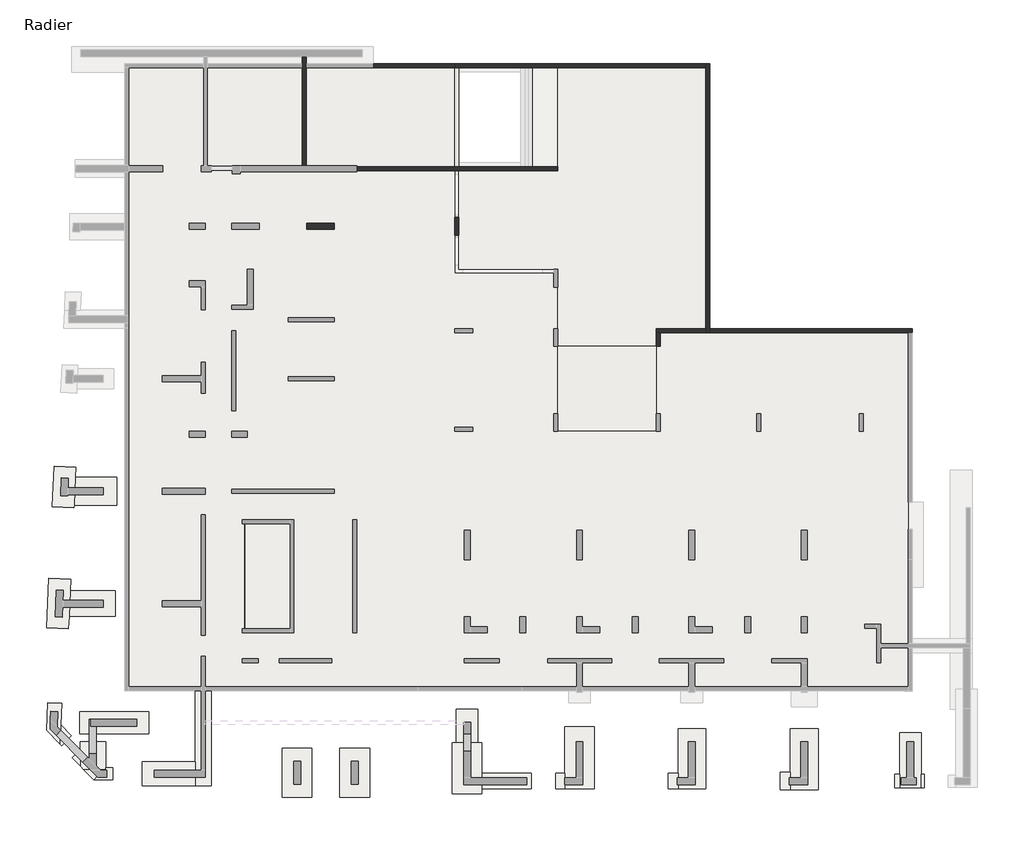
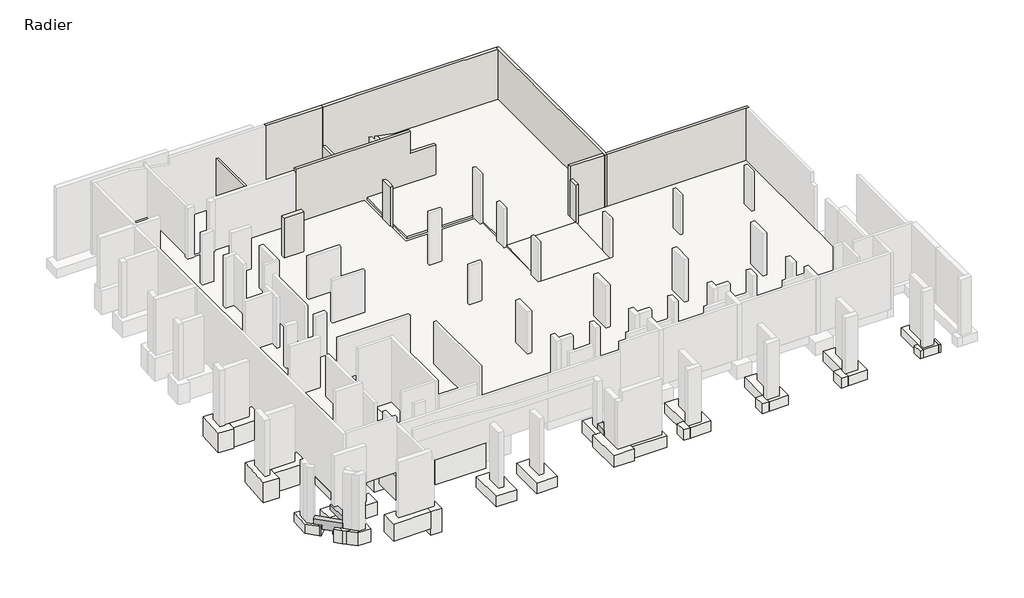
# One storey, part 3 of 4: 36 footings, 11 walls, 8 beams, 7 slabs.
"""IFC4 building model written with IfcOpenShell, lengths in millimetres."""

from ifc_helpers import new_model, si_unit, frame, origin, place, context, project, spatial, polyline, outline, extrude, faceted_brep, element, save

model = new_model("IFC4")

# Units and contexts
model_context = context("Model", 3, world=origin())
ifc_project = project(units=[si_unit("LENGTHUNIT", "METRE", prefix="MILLI")], contexts=[model_context])

# Site, building, storey
site = spatial("IfcSite", under=ifc_project)
building = spatial("IfcBuilding", under=site)
storey = spatial("IfcBuildingStorey", under=building, Name="Radier", Elevation=-3900.0)

# Beams
placement = place(None, origin())
element("IfcBeam", 1, ObjectType="VF. 20/190", at=placement, inside=storey, context=model_context, shape_type="Brep", body=[
    faceted_brep([(-34745.6912908, -6244.0672499, -4050.0), (-34745.6912908, -11559.0672499, -4050.0), (-34745.6912908, -11559.0672499, -5600.0), (-34745.6912908, -11559.0672499, -5750.0), (-34745.6912908, -11559.0672499, -5800.0), (-34745.6912908, -6244.0672499, -5800.0), (-34745.6912908, -6244.0672499, -5750.0), (-34745.6912908, -6244.0672499, -5600.0), (-34945.6912908, -11759.0672499, -5800.0), (-34945.6912908, -6044.0672499, -5800.0), (-34865.6912908, -6044.0672499, -5800.0), (-34865.6912908, -6244.0672499, -5800.0), (-34865.6912908, -11559.0672499, -5800.0), (-34865.6912908, -11759.0672499, -5800.0), (-34945.6912908, -11759.0672499, -4050.0), (-34945.6912908, -6044.0672499, -4050.0), (-34865.6912908, -11759.0672499, -4050.0), (-34865.6912908, -11559.0672499, -4050.0), (-34865.6912908, -6244.0672499, -4050.0), (-34865.6912908, -6044.0672499, -4050.0)], [[[0, 1, 2, 3, 4, 5, 6, 7]], [[8, 9, 10, 11, 5, 4, 12, 13]], [[14, 15, 9, 8]], [[15, 14, 16, 17, 1, 0, 18, 19]], [[9, 15, 19, 10]], [[14, 8, 13, 16]], [[11, 18, 0, 7, 6, 5]], [[18, 11, 10, 19]], [[17, 12, 4, 3, 2, 1]], [[12, 17, 16, 13]]]),
])
element("IfcBeam", 2, ObjectType="VF. 20/40", at=placement, inside=storey, context=model_context, shape_type="SweptSolid", body=[
    extrude(outline(polyline([(-36935.6912908, -11889.0672499), (-36735.6912908, -11889.0672499), (-36735.6912908, -12949.0672499), (-36935.6912908, -12949.0672499), (-36935.6912908, -11889.0672499)])), frame((0.0, 0.0, -4300.0), z_axis=(0.0, 0.0, 1.0), x_axis=(1.0, 0.0, 0.0)), (0.0, 0.0, 1.0), 250.0),
])
element("IfcBeam", 3, ObjectType="VF. 20/40", at=placement, inside=storey, context=model_context, shape_type="SweptSolid", body=[
    extrude(outline(polyline([(-32995.6912908, -13079.0672499), (-32995.6912908, -13279.0672499), (-34055.6912908, -13279.0672499), (-34055.6912908, -13079.0672499), (-32995.6912908, -13079.0672499)])), frame((0.0, 0.0, -4300.0), z_axis=(0.0, 0.0, 1.0), x_axis=(1.0, 0.0, 0.0)), (0.0, 0.0, 1.0), 250.0),
])
element("IfcBeam", 4, ObjectType="VF. 20/40", at=placement, inside=storey, context=model_context, shape_type="SweptSolid", body=[
    extrude(outline(polyline([(-35405.6912908, -4489.0672499), (-35405.6912908, -4689.0672499), (-36735.6912908, -4689.0672499), (-36735.6912908, -4489.0672499), (-35405.6912908, -4489.0672499)])), frame((0.0, 0.0, -4300.0), z_axis=(0.0, 0.0, 1.0), x_axis=(1.0, 0.0, 0.0)), (0.0, 0.0, 1.0), 250.0),
])
element("IfcBeam", 5, ObjectType="VF. 30/40", at=placement, inside=storey, context=model_context, shape_type="SweptSolid", body=[
    extrude(outline(polyline([(-35405.6912908, -1544.0672499), (-35405.6912908, -1844.0672499), (-36735.6912908, -1844.0672499), (-36735.6912908, -1544.0672499), (-35405.6912908, -1544.0672499)])), frame((0.0, 0.0, -4300.0), z_axis=(0.0, 0.0, 1.0), x_axis=(1.0, 0.0, 0.0)), (0.0, 0.0, 1.0), 250.0),
])
element("IfcBeam", 6, ObjectType="VF. 35/40", at=placement, inside=storey, context=model_context, shape_type="SweptSolid", body=[
    extrude(outline(polyline([(-42250.6912908, -17889.0672499), (-42600.6912908, -17889.0672499), (-42600.6912908, -16144.0672499), (-42525.6912908, -16144.0672499), (-42525.6912908, -16494.0672499), (-42250.6912908, -16494.0672499), (-42250.6912908, -17889.0672499)])), frame((0.0, 0.0, -4300.0), z_axis=(0.0, 0.0, 1.0), x_axis=(1.0, 0.0, 0.0)), (0.0, 0.0, 1.0), 400.0),
])
element("IfcBeam", 7, ObjectType="VF. 35/40", at=placement, inside=storey, context=model_context, shape_type="SweptSolid", body=[
    extrude(outline(polyline([(-23650.6912908, -16879.0672499), (-23300.6912908, -16879.0672499), (-23300.6912908, -17759.0672499), (-23650.6912908, -17759.0672499), (-23650.6912908, -16879.0672499)])), frame((0.0, 0.0, -4300.0), z_axis=(0.0, 0.0, 1.0), x_axis=(1.0, 0.0, 0.0)), (0.0, 0.0, 1.0), 400.0),
])
element("IfcBeam", 8, ObjectType="VF. 35/70", at=placement, inside=storey, context=model_context, shape_type="Brep", body=[
    faceted_brep([(-42683.933067, -18072.0990181, -3900.0), (-42932.9248767, -18318.0727539, -3900.0), (-42932.9248767, -18318.0727539, -4300.0), (-42683.933067, -18072.0990181, -4300.0), (-44296.322155, -16937.9467228, -3900.0), (-44047.3303452, -16691.972987, -3900.0), (-44047.3303452, -16691.972987, -4300.0), (-44296.322155, -16937.9467228, -4300.0), (-43888.1193718, -17351.1581147, -4300.0), (-43888.1193718, -17351.1581147, -4600.0), (-43312.5552464, -17933.7843563, -4600.0), (-43312.5552464, -17933.7843563, -4300.0), (-43075.6912908, -17675.5339587, -4600.0), (-43075.6912908, -17699.7914708, -4600.0), (-43639.127562, -17105.1843789, -4600.0), (-43075.6912908, -17675.5339587, -4300.0), (-43639.127562, -17105.1843789, -4300.0), (-43075.6912908, -17699.7914708, -4300.0)], [[[0, 1, 2, 3]], [[4, 5, 6, 7]], [[1, 4, 7, 8, 9, 10, 11, 2]], [[12, 13, 10, 9, 14]], [[5, 0, 3, 15, 12, 14, 16, 6]], [[1, 0, 5, 4]], [[3, 2, 11, 17, 15]], [[12, 15, 17, 13]], [[16, 8, 7, 6]], [[17, 11, 10, 13]], [[8, 16, 14, 9]]]),
])

# Footings
element("IfcFooting", 9, at=placement, inside=storey, context=model_context, shape_type="Brep", body=[
    faceted_brep([(-33870.6912908, -2444.0672499, -4300.0), (-33870.6912908, -2444.0672499, -6200.0), (-33870.6912908, -944.0672499, -6200.0), (-33870.6912908, -944.0672499, -4300.0), (-38270.6912908, -2444.0672499, -6200.0), (-38270.6912908, -2444.0672499, -4300.0), (-38270.6912908, -944.0672499, -4300.0), (-38270.6912908, -944.0672499, -6200.0), (-34605.6912908, -944.0672499, -4300.0), (-34605.6912908, -994.0672499, -4300.0), (-36005.6912908, -994.0672499, -4300.0), (-36005.6912908, -944.0672499, -4300.0), (-36005.6912908, -944.0672499, -5700.0), (-34605.6912908, -944.0672499, -5700.0), (-36005.6912908, -994.0672499, -5700.0), (-34605.6912908, -994.0672499, -5700.0)], [[[0, 1, 2, 3]], [[4, 5, 6, 7]], [[5, 0, 3, 8, 9, 10, 11, 6]], [[1, 0, 5, 4]], [[2, 1, 4, 7]], [[3, 2, 7, 6, 11, 12, 13, 8]], [[14, 10, 9, 15]], [[10, 14, 12, 11]], [[14, 15, 13, 12]], [[15, 9, 8, 13]]]),
])
element("IfcFooting", 10, at=placement, inside=storey, context=model_context, shape_type="SweptSolid", body=[
    extrude(outline(polyline([(-43381.4763941, -5289.0672499), (-43317.9655169, -3889.0672499), (-41225.3123193, -3889.0672499), (-41225.3123193, -5289.0672499), (-43381.4763941, -5289.0672499)])), frame((0.0, 0.0, -5800.0), z_axis=(0.0, 0.0, 1.0), x_axis=(1.0, 0.0, 0.0)), (0.0, 0.0, 1.0), 1500.0),
])
element("IfcFooting", 11, at=placement, inside=storey, context=model_context, shape_type="Brep", body=[
    faceted_brep([(-36735.6912908, -3739.0672499, -4300.0), (-36735.6912908, -5439.0672499, -4300.0), (-36735.6912908, -5439.0672499, -6300.0), (-36735.6912908, -3739.0672499, -6300.0), (-39855.6912908, -5439.0672499, -4300.0), (-39855.6912908, -3739.0672499, -4300.0), (-39855.6912908, -3739.0672499, -6300.0), (-39855.6912908, -5439.0672499, -6300.0), (-37585.6912908, -5439.0672499, -4300.0), (-37585.6912908, -5439.0672499, -6300.0), (-37585.6912908, -3739.0672499, -6300.0)], [[[0, 1, 2, 3]], [[4, 5, 6, 7]], [[0, 5, 4, 8, 1]], [[2, 1, 8, 4, 7, 9]], [[3, 2, 9, 7, 6, 10]], [[0, 3, 10, 6, 5]]]),
])
element("IfcFooting", 12, at=placement, inside=storey, context=model_context, shape_type="Brep", body=[
    faceted_brep([(-37585.6912908, -3739.0672499, -6800.0), (-37585.6912908, -5439.0672499, -6800.0), (-37585.6912908, -5439.0672499, -6600.0), (-37585.6912908, -5439.0672499, -6300.0), (-37585.6912908, -3739.0672499, -6300.0), (-30065.6912908, -3739.0672499, -6800.0), (-30065.6912908, -3739.0672499, -6300.0), (-30065.6912908, -3739.0672499, -4300.0), (-30065.6912908, -5439.0672499, -4300.0), (-30065.6912908, -5439.0672499, -6800.0), (-36735.6912908, -3739.0672499, -4300.0), (-36735.6912908, -4489.0672499, -4300.0), (-36735.6912908, -4689.0672499, -4300.0), (-36735.6912908, -5439.0672499, -4300.0), (-36085.6912908, -5439.0672499, -4300.0), (-36735.6912908, -3739.0672499, -6300.0), (-36735.6912908, -5439.0672499, -6300.0)], [[[0, 1, 2, 3, 4]], [[5, 6, 7, 8, 9]], [[8, 7, 10, 11, 12, 13, 14]], [[7, 6, 5, 0, 4, 15, 10]], [[1, 0, 5, 9]], [[9, 8, 14, 13, 16, 3, 2, 1]], [[15, 16, 13, 12, 11, 10]], [[16, 15, 4, 3]]]),
])
element("IfcFooting", 13, at=placement, inside=storey, context=model_context, shape_type="Brep", body=[
    faceted_brep([(-36085.6912908, -12999.0672499, -4300.0), (-36435.6912908, -12999.0672499, -4300.0), (-37235.6912908, -12999.0672499, -4300.0), (-37585.6912908, -12999.0672499, -4300.0), (-37585.6912908, -12999.0672499, -6600.0), (-36085.6912908, -12999.0672499, -6600.0), (-37585.6912908, -5439.0672499, -4300.0), (-36735.6912908, -5439.0672499, -4300.0), (-36085.6912908, -5439.0672499, -4300.0), (-36085.6912908, -5439.0672499, -6600.0), (-37585.6912908, -5439.0672499, -6600.0), (-37585.6912908, -5439.0672499, -6300.0), (-37585.6912908, -9529.0672499, -4300.0), (-37585.6912908, -11029.0672499, -4300.0)], [[[0, 1, 2, 3, 4, 5]], [[6, 7, 8, 9, 10, 11]], [[0, 8, 7, 6, 12, 13, 3, 2, 1]], [[4, 3, 13, 12, 6, 11, 10]], [[5, 4, 10, 9]], [[0, 5, 9, 8]]]),
])
element("IfcFooting", 14, at=placement, inside=storey, context=model_context, shape_type="SweptSolid", body=[
    extrude(outline(polyline([(-39555.6912908, -11029.0672499), (-39555.6912908, -9529.0672499), (-37585.6912908, -9529.0672499), (-37585.6912908, -11029.0672499), (-39555.6912908, -11029.0672499)])), frame((0.0, 0.0, -6100.0), z_axis=(0.0, 0.0, 1.0), x_axis=(1.0, 0.0, 0.0)), (0.0, 0.0, 1.0), 1800.0),
])
element("IfcFooting", 15, at=placement, inside=storey, context=model_context, shape_type="SweptSolid", body=[
    extrude(outline(polyline([(-43637.3344995, -10929.0672499), (-43578.3601135, -9629.0672499), (-41283.4386703, -9629.0672499), (-41283.4386703, -10929.0672499), (-43637.3344995, -10929.0672499)])), frame((0.0, 0.0, -5800.0), z_axis=(0.0, 0.0, 1.0), x_axis=(1.0, 0.0, 0.0)), (0.0, 0.0, 1.0), 1500.0),
])
element("IfcFooting", 16, at=placement, inside=storey, context=model_context, shape_type="Brep", body=[
    faceted_brep([(-30065.6912908, -12379.0672499, -4300.0), (-30065.6912908, -13979.0672499, -4300.0), (-30065.6912908, -13979.0672499, -6300.0), (-30065.6912908, -13979.0672499, -6800.0), (-30065.6912908, -12379.0672499, -6800.0), (-33715.6912908, -13979.0672499, -4300.0), (-33715.6912908, -13629.0672499, -4300.0), (-33715.6912908, -12729.0672499, -4300.0), (-33715.6912908, -12379.0672499, -4300.0), (-33715.6912908, -12379.0672499, -6800.0), (-33715.6912908, -12729.0672499, -6800.0), (-33715.6912908, -13629.0672499, -6800.0), (-33715.6912908, -13979.0672499, -6800.0)], [[[0, 1, 2, 3, 4]], [[5, 6, 7, 8, 9, 10, 11, 12]], [[0, 8, 7, 6, 5, 1]], [[3, 2, 1, 5, 12]], [[4, 3, 12, 11, 10, 9]], [[0, 4, 9, 8]]]),
])
element("IfcFooting", 17, at=placement, inside=storey, context=model_context, shape_type="SweptSolid", body=[
    extrude(outline(polyline([(-35215.6912908, -13629.0672499), (-35215.6912908, -12729.0672499), (-33715.6912908, -12729.0672499), (-33715.6912908, -13629.0672499), (-35215.6912908, -13629.0672499)])), frame((0.0, 0.0, -6800.0), z_axis=(0.0, 0.0, 1.0), x_axis=(1.0, 0.0, 0.0)), (0.0, 0.0, 1.0), 2500.0),
])
element("IfcFooting", 18, at=placement, inside=storey, context=model_context, shape_type="Brep", body=[
    faceted_brep([(-35245.6912908, -6794.0672499, -5800.0), (-35245.6912908, -5494.0672499, -5800.0), (-35245.6912908, -5494.0672499, -6800.0), (-35245.6912908, -6794.0672499, -6800.0), (-32345.6912908, -5494.0672499, -5800.0), (-32345.6912908, -6794.0672499, -5800.0), (-32345.6912908, -6794.0672499, -6800.0), (-32345.6912908, -5494.0672499, -6800.0), (-33045.6912908, -6794.0672499, -5800.0), (-33045.6912908, -6794.0672499, -6800.0)], [[[0, 1, 2, 3]], [[4, 5, 6, 7]], [[0, 8, 5, 4, 1]], [[2, 1, 4, 7]], [[3, 2, 7, 6, 9]], [[0, 3, 9, 6, 5, 8]]]),
])
element("IfcFooting", 19, at=placement, inside=storey, context=model_context, shape_type="Brep", body=[
    faceted_brep([(-31645.6912908, -5494.0672499, -5800.0), (-31645.6912908, -5494.0672499, -6800.0), (-32345.6912908, -5494.0672499, -6800.0), (-32345.6912908, -5494.0672499, -5800.0), (-31645.6912908, -12059.0672499, -5800.0), (-32345.6912908, -6794.0672499, -5800.0), (-33045.6912908, -6794.0672499, -5800.0), (-33045.6912908, -11259.0672499, -5800.0), (-33045.6912908, -12059.0672499, -5800.0), (-33045.6912908, -12059.0672499, -6800.0), (-33045.6912908, -6794.0672499, -6800.0), (-33045.6912908, -11259.0672499, -6800.0), (-31645.6912908, -12059.0672499, -6800.0), (-32345.6912908, -6794.0672499, -6800.0)], [[[0, 1, 2, 3]], [[4, 0, 3, 5, 6, 7, 8]], [[9, 8, 7, 6, 10, 11]], [[1, 12, 9, 11, 10, 13, 2]], [[1, 0, 4, 12]], [[13, 5, 3, 2]], [[5, 13, 10, 6]], [[4, 8, 9, 12]]]),
])
element("IfcFooting", 20, at=placement, inside=storey, context=model_context, shape_type="SweptSolid", body=[
    extrude(outline(polyline([(-35245.6912908, -12059.0672499), (-35245.6912908, -11259.0672499), (-33045.6912908, -11259.0672499), (-33045.6912908, -12059.0672499), (-35245.6912908, -12059.0672499)])), frame((0.0, 0.0, -6800.0), z_axis=(0.0, 0.0, 1.0), x_axis=(1.0, 0.0, 0.0)), (0.0, 0.0, 1.0), 1000.0),
])
element("IfcFooting", 21, at=placement, inside=storey, context=model_context, shape_type="Brep", body=[
    faceted_brep([(-41775.6912908, -18690.656629, -5300.0), (-41775.6912908, -18690.656629, -4300.0), (-41928.2567405, -18690.656629, -4300.0), (-42881.1326203, -18690.656629, -4300.0), (-42881.1326203, -18690.656629, -5300.0), (-41928.2567405, -18690.656629, -5300.0), (-43075.6912908, -17289.0672499, -5300.0), (-43075.6912908, -17289.0672499, -4300.0), (-41775.6912908, -17289.0672499, -4300.0), (-41775.6912908, -17289.0672499, -5300.0), (-41775.6912908, -18599.0672499, -4300.0), (-43075.6912908, -17675.5339587, -4300.0), (-43075.6912908, -17699.7914708, -4300.0), (-43075.6912908, -18493.7107424, -4300.0), (-43075.6912908, -17699.7914708, -5300.0), (-43075.6912908, -18493.7107424, -5300.0), (-41775.6912908, -18599.0672499, -5300.0)], [[[0, 1, 2, 3, 4, 5]], [[6, 7, 8, 9]], [[1, 10, 8, 7, 11, 12, 13, 3, 2]], [[7, 6, 14, 15, 13, 12, 11]], [[6, 9, 16, 0, 5, 4, 15, 14]], [[1, 0, 16, 9, 8, 10]], [[4, 3, 13, 15]]]),
])
element("IfcFooting", 22, at=placement, inside=storey, context=model_context, shape_type="Brep", body=[
    faceted_brep([(-37235.6912908, -19499.0672499, -4300.0), (-36435.6912908, -19499.0672499, -4300.0), (-36435.6912908, -12999.0672499, -4300.0), (-37235.6912908, -12999.0672499, -4300.0), (-37235.6912908, -18299.0672499, -4300.0), (-37235.6912908, -19499.0672499, -6100.0), (-37235.6912908, -19499.0672499, -5600.0), (-37235.6912908, -12999.0672499, -6100.0), (-36435.6912908, -19499.0672499, -6100.0), (-36435.6912908, -12999.0672499, -6100.0)], [[[0, 1, 2, 3, 4]], [[5, 6, 0, 4, 3, 7]], [[8, 5, 7, 9]], [[1, 8, 9, 2]], [[1, 0, 6, 5, 8]], [[3, 2, 9, 7]]]),
])
element("IfcFooting", 23, at=placement, inside=storey, context=model_context, shape_type="SweptSolid", body=[
    extrude(outline(polyline([(-31335.6912908, -20094.0672499), (-32835.6912908, -20094.0672499), (-32835.6912908, -17594.0672499), (-31335.6912908, -17594.0672499), (-31335.6912908, -20094.0672499)])), frame((0.0, 0.0, -5100.0), z_axis=(0.0, 0.0, 1.0), x_axis=(1.0, 0.0, 0.0)), (0.0, 0.0, 1.0), 800.0),
])
element("IfcFooting", 24, at=placement, inside=storey, context=model_context, shape_type="SweptSolid", body=[
    extrude(outline(polyline([(-28415.6912908, -20094.0672499), (-29915.6912908, -20094.0672499), (-29915.6912908, -17594.0672499), (-28415.6912908, -17594.0672499), (-28415.6912908, -20094.0672499)])), frame((0.0, 0.0, -5100.0), z_axis=(0.0, 0.0, 1.0), x_axis=(1.0, 0.0, 0.0)), (0.0, 0.0, 1.0), 800.0),
])
element("IfcFooting", 25, at=placement, inside=storey, context=model_context, shape_type="Brep", body=[
    faceted_brep([(-22725.6912908, -19919.0672499, -4300.0), (-24225.6912908, -19919.0672499, -4300.0), (-24225.6912908, -19919.0672499, -5200.0), (-22725.6912908, -19919.0672499, -5200.0), (-24225.6912908, -17319.0672499, -4300.0), (-24025.6912908, -17319.0672499, -4300.0), (-22925.6912908, -17319.0672499, -4300.0), (-22725.6912908, -17319.0672499, -4300.0), (-22725.6912908, -17319.0672499, -5200.0), (-22925.6912908, -17319.0672499, -5200.0), (-24025.6912908, -17319.0672499, -5200.0), (-24225.6912908, -17319.0672499, -5200.0), (-22725.6912908, -19669.0672499, -4300.0), (-22725.6912908, -18869.0672499, -4300.0), (-22725.6912908, -18869.0672499, -5200.0), (-22725.6912908, -19669.0672499, -5200.0)], [[[0, 1, 2, 3]], [[4, 5, 6, 7, 8, 9, 10, 11]], [[0, 12, 13, 7, 6, 5, 4, 1]], [[2, 1, 4, 11]], [[3, 2, 11, 10, 9, 8, 14, 15]], [[0, 3, 15, 14, 8, 7, 13, 12]]]),
])
element("IfcFooting", 26, at=placement, inside=storey, context=model_context, shape_type="SweptSolid", body=[
    extrude(outline(polyline([(-22925.6912908, -17319.0672499), (-24025.6912908, -17319.0672499), (-24025.6912908, -15619.0672499), (-22925.6912908, -15619.0672499), (-22925.6912908, -17319.0672499)])), frame((0.0, 0.0, -5200.0), z_axis=(0.0, 0.0, 1.0), x_axis=(1.0, 0.0, 0.0)), (0.0, 0.0, 1.0), 900.0),
])
element("IfcFooting", 27, at=placement, inside=storey, context=model_context, shape_type="Brep", body=[
    faceted_brep([(-18535.6912908, -16519.0672499, -4300.0), (-17035.6912908, -16519.0672499, -4300.0), (-17035.6912908, -16519.0672499, -5100.0), (-18535.6912908, -16519.0672499, -5100.0), (-17035.6912908, -19669.0672499, -4300.0), (-18535.6912908, -18869.0672499, -4300.0), (-18535.6912908, -19669.0672499, -4300.0), (-18535.6912908, -19669.0672499, -5100.0), (-18535.6912908, -18869.0672499, -5100.0), (-17035.6912908, -19669.0672499, -5100.0)], [[[0, 1, 2, 3]], [[4, 1, 0, 5, 6]], [[7, 6, 5, 0, 3, 8]], [[9, 7, 8, 3, 2]], [[4, 9, 2, 1]], [[4, 6, 7, 9]]]),
])
element("IfcFooting", 28, at=placement, inside=storey, context=model_context, shape_type="Brep", body=[
    faceted_brep([(-12795.6912908, -16619.0672499, -4300.0), (-11395.6912908, -16619.0672499, -4300.0), (-11395.6912908, -16619.0672499, -5050.0), (-12795.6912908, -16619.0672499, -5050.0), (-11395.6912908, -19669.0672499, -4300.0), (-12795.6912908, -18869.0672499, -4300.0), (-12795.6912908, -19669.0672499, -4300.0), (-12795.6912908, -19669.0672499, -5050.0), (-12795.6912908, -18869.0672499, -5050.0), (-11395.6912908, -19669.0672499, -5050.0)], [[[0, 1, 2, 3]], [[4, 1, 0, 5, 6]], [[7, 6, 5, 0, 3, 8]], [[9, 7, 8, 3, 2]], [[4, 9, 2, 1]], [[4, 6, 7, 9]]]),
])
element("IfcFooting", 29, at=placement, inside=storey, context=model_context, shape_type="Brep", body=[
    faceted_brep([(-7105.6912908, -16619.0672499, -4300.0), (-5705.6912908, -16619.0672499, -4300.0), (-5705.6912908, -16619.0672499, -5050.0), (-7105.6912908, -16619.0672499, -5050.0), (-5705.6912908, -19719.0672499, -4300.0), (-7105.6912908, -18819.0672499, -4300.0), (-7105.6912908, -19719.0672499, -4300.0), (-7105.6912908, -19719.0672499, -5050.0), (-7105.6912908, -18819.0672499, -5050.0), (-5705.6912908, -19719.0672499, -5050.0)], [[[0, 1, 2, 3]], [[4, 1, 0, 5, 6]], [[7, 6, 5, 0, 3, 8]], [[9, 7, 8, 3, 2]], [[4, 9, 2, 1]], [[4, 6, 7, 9]]]),
])
element("IfcFooting", 30, at=placement, inside=storey, context=model_context, shape_type="Brep", body=[
    faceted_brep([(-1575.6912908, -16819.0672499, -4300.0), (-475.6912908, -16819.0672499, -4300.0), (-475.6912908, -16819.0672499, -4900.0), (-1575.6912908, -16819.0672499, -4900.0), (-475.6912908, -19619.0672499, -4300.0), (-475.6912908, -18919.0672499, -4300.0), (-1575.6912908, -18919.0672499, -4300.0), (-1575.6912908, -19619.0672499, -4300.0), (-1575.6912908, -19619.0672499, -4900.0), (-1575.6912908, -18919.0672499, -4900.0), (-475.6912908, -19619.0672499, -4900.0), (-475.6912908, -18919.0672499, -4900.0)], [[[0, 1, 2, 3]], [[4, 5, 1, 0, 6, 7]], [[8, 7, 6, 0, 3, 9]], [[10, 8, 9, 3, 2, 11]], [[4, 10, 11, 2, 1, 5]], [[4, 7, 8, 10]]]),
])
element("IfcFooting", 31, at=placement, inside=storey, context=model_context, shape_type="SweptSolid", body=[
    extrude(outline(polyline([(-40405.6912908, -14699.0672499), (-40805.6912908, -14699.0672499), (-40805.6912908, 3675.9327501), (-40405.6912908, 3675.9327501), (-40405.6912908, -14699.0672499)])), frame((0.0, 0.0, -6000.0), z_axis=(0.0, 0.0, 1.0), x_axis=(1.0, 0.0, 0.0)), (0.0, 0.0, 1.0), 600.0),
])
element("IfcFooting", 32, at=placement, inside=storey, context=model_context, shape_type="SweptSolid", body=[
    extrude(outline(polyline([(-43105.6912908, -16869.0672499), (-43105.6912908, -15769.0672499), (-39605.6912908, -15769.0672499), (-39605.6912908, -16869.0672499), (-43105.6912908, -16869.0672499)])), frame((0.0, 0.0, -5300.0), z_axis=(0.0, 0.0, 1.0), x_axis=(1.0, 0.0, 0.0)), (0.0, 0.0, 1.0), 1000.0),
])
element("IfcFooting", 33, at=placement, inside=storey, context=model_context, shape_type="SweptSolid", body=[
    extrude(outline(polyline([(-20225.6912908, -18869.0672499), (-20225.6912908, -19669.0672499), (-22725.6912908, -19669.0672499), (-22725.6912908, -18869.0672499), (-20225.6912908, -18869.0672499)])), frame((0.0, 0.0, -5200.0), z_axis=(0.0, 0.0, 1.0), x_axis=(1.0, 0.0, 0.0)), (0.0, 0.0, 1.0), 900.0),
])
element("IfcFooting", 34, at=placement, inside=storey, context=model_context, shape_type="Brep", body=[
    faceted_brep([(-18985.6912908, -18869.0672499, -4300.0), (-18985.6912908, -18869.0672499, -5100.0), (-18985.6912908, -19669.0672499, -5100.0), (-18985.6912908, -19669.0672499, -4300.0), (-18535.6912908, -19669.0672499, -4300.0), (-18535.6912908, -19444.0672499, -4300.0), (-18535.6912908, -19094.0672499, -4300.0), (-18535.6912908, -18869.0672499, -4300.0), (-18535.6912908, -18869.0672499, -5100.0), (-18535.6912908, -19669.0672499, -5100.0)], [[[0, 1, 2, 3]], [[0, 3, 4, 5, 6, 7]], [[1, 0, 7, 8]], [[2, 1, 8, 9]], [[3, 2, 9, 4]], [[7, 6, 5, 4, 9, 8]]]),
])
element("IfcFooting", 35, at=placement, inside=storey, context=model_context, shape_type="SweptSolid", body=[
    extrude(outline(polyline([(-13295.6912908, -19669.0672499), (-13295.6912908, -18869.0672499), (-12795.6912908, -18869.0672499), (-12795.6912908, -19669.0672499), (-13295.6912908, -19669.0672499)])), frame((0.0, 0.0, -5050.0), z_axis=(0.0, 0.0, 1.0), x_axis=(1.0, 0.0, 0.0)), (0.0, 0.0, 1.0), 750.0),
])
element("IfcFooting", 36, at=placement, inside=storey, context=model_context, shape_type="SweptSolid", body=[
    extrude(outline(polyline([(-7605.6912908, -19719.0672499), (-7605.6912908, -18819.0672499), (-7105.6912908, -18819.0672499), (-7105.6912908, -19719.0672499), (-7605.6912908, -19719.0672499)])), frame((0.0, 0.0, -5050.0), z_axis=(0.0, 0.0, 1.0), x_axis=(1.0, 0.0, 0.0)), (0.0, 0.0, 1.0), 750.0),
])
element("IfcFooting", 37, at=placement, inside=storey, context=model_context, shape_type="SweptSolid", body=[
    extrude(outline(polyline([(-1825.6912908, -19619.0672499), (-1825.6912908, -18919.0672499), (-1575.6912908, -18919.0672499), (-1575.6912908, -19619.0672499), (-1825.6912908, -19619.0672499)])), frame((0.0, 0.0, -4900.0), z_axis=(0.0, 0.0, 1.0), x_axis=(1.0, 0.0, 0.0)), (0.0, 0.0, 1.0), 600.0),
    extrude(outline(polyline([(-325.6912908, -18919.0672499), (-325.6912908, -19619.0672499), (-475.6912908, -19619.0672499), (-475.6912908, -18919.0672499), (-325.6912908, -18919.0672499)])), frame((0.0, 0.0, -4900.0), z_axis=(0.0, 0.0, 1.0), x_axis=(1.0, 0.0, 0.0)), (0.0, 0.0, 1.0), 600.0),
])
element("IfcFooting", 38, at=placement, inside=storey, context=model_context, shape_type="Brep", body=[
    faceted_brep([(-44486.0275766, -5364.4532184, -4300.0), (-44486.0275766, -5364.4532184, -5800.0), (-43387.157719, -5414.3033532, -5800.0), (-43387.157719, -5414.3033532, -4300.0), (-44393.1250529, -3316.5593928, -5800.0), (-44393.1250529, -3316.5593928, -4300.0), (-43294.2551952, -3366.4095275, -4300.0), (-43294.2551952, -3366.4095275, -5800.0), (-43381.4763941, -5289.0672499, -4300.0), (-43317.9655169, -3889.0672499, -4300.0), (-43317.9655169, -3889.0672499, -5800.0), (-43381.4763941, -5289.0672499, -5800.0)], [[[0, 1, 2, 3]], [[4, 5, 6, 7]], [[5, 0, 3, 8, 9, 6]], [[1, 0, 5, 4]], [[2, 1, 4, 7, 10, 11]], [[3, 2, 11, 10, 7, 6, 9, 8]]]),
])
element("IfcFooting", 39, at=placement, inside=storey, context=model_context, shape_type="Brep", body=[
    faceted_brep([(-44764.5471646, -11503.9908875, -4300.0), (-44764.5471646, -11503.9908875, -5800.0), (-43665.6773069, -11553.8410222, -5800.0), (-43665.6773069, -11553.8410222, -4300.0), (-44651.2514038, -9006.5593928, -5800.0), (-44651.2514038, -9006.5593928, -4300.0), (-43552.3815462, -9056.4095275, -4300.0), (-43552.3815462, -9056.4095275, -5800.0), (-43637.3344995, -10929.0672499, -4300.0), (-43578.3601135, -9629.0672499, -4300.0), (-43578.3601135, -9629.0672499, -5800.0), (-43637.3344995, -10929.0672499, -5800.0)], [[[0, 1, 2, 3]], [[4, 5, 6, 7]], [[5, 0, 3, 8, 9, 6]], [[1, 0, 5, 4]], [[2, 1, 4, 7, 10, 11]], [[3, 2, 11, 10, 7, 6, 9, 8]]]),
])
element("IfcFooting", 40, at=placement, inside=storey, context=model_context, shape_type="Brep", body=[
    faceted_brep([(-44711.7209205, -15304.3985236, -4300.0), (-44012.4401019, -15336.1213366, -4300.0), (-44012.4401019, -15336.1213366, -5000.0), (-44711.7209205, -15304.3985236, -5000.0), (-44775.135193, -16702.2690206, -4300.0), (-44105.1806147, -17380.4438768, -4300.0), (-44061.9791653, -16428.1341019, -4300.0), (-44105.1806147, -17380.4438768, -5000.0), (-44061.9791653, -16428.1341019, -5000.0), (-44775.135193, -16702.2690206, -5000.0)], [[[0, 1, 2, 3]], [[0, 4, 5, 6, 1]], [[2, 1, 6, 5, 7, 8]], [[3, 2, 8, 7, 9]], [[0, 3, 9, 4]], [[5, 4, 9, 7]]]),
])
element("IfcFooting", 41, at=placement, inside=storey, context=model_context, shape_type="SweptSolid", body=[
    extrude(outline(polyline([(-41413.5874032, -18599.0672499), (-41413.5874032, -19199.0672499), (-42378.8845348, -19199.0672499), (-41928.2567405, -18690.656629), (-41775.6912908, -18690.656629), (-41775.6912908, -18599.0672499), (-41413.5874032, -18599.0672499)])), frame((0.0, 0.0, -5300.0), z_axis=(0.0, 0.0, 1.0), x_axis=(1.0, 0.0, 0.0)), (0.0, 0.0, 1.0), 1000.0),
])
element("IfcFooting", 42, at=placement, inside=storey, context=model_context, shape_type="Brep", body=[
    faceted_brep([(-43472.6214098, -18091.9103293, -5300.0), (-43472.6214098, -18091.9103293, -4300.0), (-43312.5552464, -17933.7843563, -4300.0), (-43075.6912908, -17699.7914708, -4300.0), (-43075.6912908, -17699.7914708, -4600.0), (-43075.6912908, -17699.7914708, -5300.0), (-43075.6912908, -18493.7107424, -4300.0), (-43075.6912908, -18493.7107424, -5300.0)], [[[0, 1, 2, 3, 4, 5]], [[3, 2, 1, 6]], [[0, 5, 7]], [[1, 0, 7, 6]], [[5, 4, 3, 6, 7]]]),
    faceted_brep([(-42881.1326203, -18690.656629, -4300.0), (-42378.8845348, -19199.0672499, -4300.0), (-41928.2567405, -18690.656629, -4300.0), (-42378.8845348, -19199.0672499, -5300.0), (-42881.1326203, -18690.656629, -5300.0), (-41928.2567405, -18690.656629, -5300.0)], [[[0, 1, 2]], [[3, 4, 5]], [[0, 4, 3, 1]], [[4, 0, 2, 5]], [[2, 1, 3, 5]]]),
])
element("IfcFooting", 43, at=placement, inside=storey, context=model_context, shape_type="SweptSolid", body=[
    extrude(outline(polyline([(-39935.6912908, -19499.0672499), (-39935.6912908, -18299.0672499), (-37235.6912908, -18299.0672499), (-37235.6912908, -19499.0672499), (-39935.6912908, -19499.0672499)])), frame((0.0, 0.0, -5600.0), z_axis=(0.0, 0.0, 1.0), x_axis=(1.0, 0.0, 0.0)), (0.0, 0.0, 1.0), 1300.0),
])
element("IfcFooting", 44, at=placement, inside=storey, context=model_context, shape_type="Brep", body=[
    faceted_brep([(-44012.6152766, -17474.1449826, -4300.0), (-44012.6152766, -17474.1449826, -5000.0), (-43514.6316572, -16982.197511, -5000.0), (-43514.6316572, -16982.197511, -4300.0), (-43639.127562, -17105.1843789, -4300.0), (-43888.1193718, -17351.1581147, -4300.0), (-44061.9791653, -16428.1341019, -4300.0), (-44105.1806147, -17380.4438768, -4300.0), (-44105.1806147, -17380.4438768, -5000.0), (-44061.9791653, -16428.1341019, -5000.0)], [[[0, 1, 2, 3, 4, 5]], [[3, 6, 7, 0, 5, 4]], [[1, 0, 7, 8]], [[2, 1, 8, 9]], [[3, 2, 9, 6]], [[7, 6, 9, 8]]]),
])

# Slabs
element("IfcSlab", 45, at=placement, inside=storey, context=model_context, shape_type="Brep", body=[
    faceted_brep([(-11395.6912908, 16850.9327501, -3900.0), (-11395.6912908, 11850.9327501, -3900.0), (-11395.6912908, 11650.9327501, -3900.0), (-11395.6912908, 3640.9327501, -3900.0), (-13895.6912908, 3640.9327501, -3900.0), (-13895.6912908, 3440.9327501, -3900.0), (-13895.6912908, 2940.9327501, -3900.0), (-13895.6912908, 2740.9327501, -3900.0), (-18895.6912908, 2740.9327501, -3900.0), (-18895.6912908, 2940.9327501, -3900.0), (-18895.6912908, 3440.9327501, -3900.0), (-18895.6912908, 3640.9327501, -3900.0), (-18895.6912908, 5750.9327501, -3900.0), (-18895.6912908, 6650.9327501, -3900.0), (-19095.6912908, 6650.9327501, -3900.0), (-23895.6912908, 6650.9327501, -3900.0), (-23895.6912908, 11650.9327501, -3900.0), (-19095.6912908, 11650.9327501, -3900.0), (-18895.6912908, 11650.9327501, -3900.0), (-18895.6912908, 11850.9327501, -3900.0), (-18895.6912908, 16850.9327501, -3900.0), (-11395.6912908, 16850.9327501, -3750.0), (-18895.6912908, 16850.9327501, -3750.0), (-18895.6912908, 11650.9327501, -3750.0), (-23895.6912908, 11650.9327501, -3750.0), (-23895.6912908, 9280.9327501, -3750.0), (-23895.6912908, 8380.9327501, -3750.0), (-23895.6912908, 6650.9327501, -3750.0), (-19095.6912908, 6650.9327501, -3750.0), (-18895.6912908, 6650.9327501, -3750.0), (-18895.6912908, 5750.9327501, -3750.0), (-18895.6912908, 3640.9327501, -3750.0), (-18895.6912908, 2740.9327501, -3750.0), (-13895.6912908, 2740.9327501, -3750.0), (-13895.6912908, 3640.9327501, -3750.0), (-11395.6912908, 3640.9327501, -3750.0)], [[[0, 1, 2, 3, 4, 5, 6, 7, 8, 9, 10, 11, 12, 13, 14, 15, 16, 17, 18, 19, 20]], [[21, 22, 23, 24, 25, 26, 27, 28, 29, 30, 31, 32, 33, 34, 35]], [[3, 2, 1, 0, 21, 35]], [[4, 3, 35, 34]], [[13, 12, 11, 10, 9, 8, 32, 31, 30, 29]], [[0, 20, 22, 21]], [[7, 6, 5, 4, 34, 33]], [[8, 7, 33, 32]], [[15, 14, 13, 29, 28, 27]], [[16, 15, 27, 26, 25, 24]], [[18, 17, 16, 24, 23]], [[20, 19, 18, 23, 22]]]),
])
element("IfcSlab", 46, at=placement, inside=storey, context=model_context, shape_type="SweptSolid", body=[
    extrude(outline(polyline([(-24095.6912908, 16850.9327501), (-24095.6912908, 11850.9327501), (-29065.6912908, 11850.9327501), (-29065.6912908, 11900.9327501), (-31825.6912908, 11900.9327501), (-31825.6912908, 16850.9327501), (-24095.6912908, 16850.9327501)])), frame((0.0, 0.0, -5030.0), z_axis=(0.0, 0.0, 1.0), x_axis=(1.0, 0.0, 0.0)), (0.0, 0.0, 1.0), 150.0),
])
element("IfcSlab", 47, at=placement, inside=storey, context=model_context, shape_type="Brep", body=[
    faceted_brep([(-36825.6912908, 16850.9327501, -4050.0), (-36825.6912908, 11900.9327501, -4050.0), (-36935.6912908, 11900.9327501, -4050.0), (-36935.6912908, 11600.9327501, -4050.0), (-36435.6912908, 11600.9327501, -4050.0), (-36435.6912908, 11650.9327501, -4050.0), (-35365.6912908, 11650.9327501, -4050.0), (-35365.6912908, 11500.9327501, -4050.0), (-34975.6912908, 11500.9327501, -4050.0), (-34975.6912908, 11600.9327501, -4050.0), (-29065.6912908, 11600.9327501, -4050.0), (-29065.6912908, 11650.9327501, -4050.0), (-24095.6912908, 11650.9327501, -4050.0), (-24095.6912908, 6450.9327501, -4050.0), (-23895.725742, 6450.9327501, -4050.0), (-18895.6912908, 6450.9327501, -4050.0), (-18895.6912908, 5750.9327501, -4050.0), (-18895.6912908, 3640.9327501, -4050.0), (-18895.6912908, -1559.0672499, -4050.0), (-13895.6912908, -1559.0672499, -4050.0), (-13895.6912908, 3640.9327501, -4050.0), (-1125.6912908, 3640.9327501, -4050.0), (-1125.6912908, -14499.0672499, -4050.0), (-40605.6912908, -14499.0672499, -4050.0), (-40605.6912908, 16850.9327501, -4050.0), (-32445.6912908, -6244.0672499, -4050.0), (-34745.6912908, -6244.0672499, -4050.0), (-34745.6912908, -11559.0672499, -4050.0), (-32445.6912908, -11559.0672499, -4050.0), (-36825.6912908, 16850.9327501, -3900.0), (-40605.6912908, 16850.9327501, -3900.0), (-40605.6912908, -14499.0672499, -3900.0), (-1125.6912908, -14499.0672499, -3900.0), (-1125.6912908, 3640.9327501, -3900.0), (-13895.6912908, 3640.9327501, -3900.0), (-13895.6912908, 3440.9327501, -3900.0), (-13895.6912908, 2940.9327501, -3900.0), (-13895.6912908, 2740.9327501, -3900.0), (-13895.6912908, -1359.0672499, -3900.0), (-13895.6912908, -1559.0672499, -3900.0), (-18895.6912908, -1559.0672499, -3900.0), (-18895.6912908, -1359.0672499, -3900.0), (-18895.6912908, 2740.9327501, -3900.0), (-18895.6912908, 2940.9327501, -3900.0), (-18895.6912908, 3440.9327501, -3900.0), (-18895.6912908, 3640.9327501, -3900.0), (-18895.6912908, 5750.9327501, -3900.0), (-18895.6912908, 6450.9327501, -3900.0), (-24095.6912908, 6450.9327501, -3900.0), (-24095.6912908, 11650.9327501, -3900.0), (-29065.6912908, 11650.9327501, -3900.0), (-29065.6912908, 11600.9327501, -3900.0), (-34975.6912908, 11600.9327501, -3900.0), (-34975.6912908, 11500.9327501, -3900.0), (-35365.6912908, 11500.9327501, -3900.0), (-35365.6912908, 11650.9327501, -3900.0), (-36435.6912908, 11650.9327501, -3900.0), (-36435.6912908, 11600.9327501, -3900.0), (-36935.6912908, 11600.9327501, -3900.0), (-36935.6912908, 11900.9327501, -3900.0), (-36825.6912908, 11900.9327501, -3900.0), (-32445.6912908, -6244.0672499, -3900.0), (-32445.6912908, -11559.0672499, -3900.0), (-34745.6912908, -11559.0672499, -3900.0), (-34745.6912908, -6244.0672499, -3900.0)], [[[0, 1, 2, 3, 4, 5, 6, 7, 8, 9, 10, 11, 12, 13, 14, 15, 16, 17, 18, 19, 20, 21, 22, 23, 24], [25, 26, 27, 28]], [[29, 30, 31, 32, 33, 34, 35, 36, 37, 38, 39, 40, 41, 42, 43, 44, 45, 46, 47, 48, 49, 50, 51, 52, 53, 54, 55, 56, 57, 58, 59, 60], [61, 62, 63, 64]], [[1, 0, 29, 60]], [[2, 1, 60, 59]], [[3, 2, 59, 58]], [[4, 3, 58, 57]], [[5, 4, 57, 56]], [[6, 5, 56, 55]], [[7, 6, 55, 54]], [[8, 7, 54, 53]], [[9, 8, 53, 52]], [[10, 9, 52, 51]], [[11, 10, 51, 50]], [[12, 11, 50, 49]], [[13, 12, 49, 48]], [[15, 14, 13, 48, 47]], [[18, 17, 16, 15, 47, 46, 45, 44, 43, 42, 41, 40]], [[19, 18, 40, 39]], [[20, 19, 39, 38, 37, 36, 35, 34]], [[21, 20, 34, 33]], [[22, 21, 33, 32]], [[23, 22, 32, 31]], [[24, 23, 31, 30]], [[0, 24, 30, 29]], [[26, 25, 61, 64]], [[27, 26, 64, 63]], [[28, 27, 63, 62]], [[25, 28, 62, 61]]]),
])
element("IfcSlab", 48, at=placement, inside=storey, context=model_context, shape_type="SweptSolid", body=[
    extrude(outline(polyline([(2740.9327501, -3899.5918469), (-1559.0672499, -4050.0918469), (-1559.0672499, -3900.0), (2740.9327501, -3749.5), (2740.9327501, -3899.5918469)])), frame((-18895.6912908, 0.0, 0.0), z_axis=(1.0, 0.0, 0.0), x_axis=(0.0, 1.0, 0.0)), (0.0, 0.0, 1.0), 5000.0),
])
element("IfcSlab", 49, at=placement, inside=storey, context=model_context, shape_type="SweptSolid", body=[
    extrude(outline(polyline([(-32445.6912908, -6244.0672499), (-32445.6912908, -11559.0672499), (-34745.6912908, -11559.0672499), (-34745.6912908, -6244.0672499), (-32445.6912908, -6244.0672499)])), frame((0.0, 0.0, -5750.0), z_axis=(0.0, 0.0, 1.0), x_axis=(1.0, 0.0, 0.0)), (0.0, 0.0, 1.0), 150.0),
])
element("IfcSlab", 50, at=placement, inside=storey, context=model_context, shape_type="Brep", body=[
    faceted_brep([(-18895.7442801, 16850.9327501, -3903.029703), (-18895.7442801, 11850.9327501, -3903.029703), (-18910.7428098, 11850.9327501, -3900.0), (-20150.6912908, 11850.9327501, -3649.5304068), (-20150.6912908, 16850.9327501, -3649.5304068), (-18910.7428098, 16850.9327501, -3900.0), (-18895.7442801, 16850.9327501, -3750.0), (-20150.6912908, 16850.9327501, -3496.5007038), (-20150.6912908, 11850.9327501, -3496.5007038), (-18895.7442801, 11850.9327501, -3750.0)], [[[0, 1, 2, 3, 4, 5]], [[6, 7, 8, 9]], [[1, 0, 6, 9]], [[3, 2, 1, 9, 8]], [[4, 3, 8, 7]], [[0, 5, 4, 7, 6]]]),
])
element("IfcSlab", 51, at=placement, inside=storey, context=model_context, shape_type="SweptSolid", body=[
    extrude(outline(polyline([(-31825.6912908, 16850.9327501), (-31825.6912908, 11900.9327501), (-36625.6912908, 11900.9327501), (-36625.6912908, 16850.9327501), (-31825.6912908, 16850.9327501)])), frame((0.0, 0.0, -5130.0), z_axis=(0.0, 0.0, 1.0), x_axis=(1.0, 0.0, 0.0)), (0.0, 0.0, 1.0), 250.0),
])

# Walls
element("IfcWall", 52, ObjectType="MHA20", at=placement, inside=storey, context=model_context, shape_type="SweptSolid", body=[
    extrude(outline(polyline([(-925.6912908, 3440.9327501), (-11195.6912908, 3440.9327501), (-11195.6912908, 3640.9327501), (-925.6912908, 3640.9327501), (-925.6912908, 3440.9327501)])), frame((0.0, 0.0, -4300.0), z_axis=(0.0, 0.0, 1.0), x_axis=(1.0, 0.0, 0.0)), (0.0, 0.0, 1.0), 4400.0),
])
element("IfcWall", 53, ObjectType="MHA20", at=placement, inside=storey, context=model_context, shape_type="Brep", body=[
    faceted_brep([(-11195.6912908, 3440.9327501, -4300.0), (-11195.6912908, 3640.9327501, -4300.0), (-11195.6912908, 17050.9327501, -4300.0), (-11195.6912908, 17050.9327501, 100.0), (-11195.6912908, 3640.9327501, 100.0), (-11195.6912908, 3440.9327501, 100.0), (-11395.6912908, 3440.9327501, -4300.0), (-11395.6912908, 3440.9327501, 100.0), (-11395.6912908, 6435.9327501, 100.0), (-11395.6912908, 6635.9327501, 100.0), (-11395.6912908, 16850.9327501, 100.0), (-11395.6912908, 17050.9327501, 100.0), (-11395.6912908, 17050.9327501, -4300.0), (-11395.6912908, 16850.9327501, -4300.0)], [[[0, 1, 2, 3, 4, 5]], [[6, 7, 8, 9, 10, 11, 12, 13]], [[2, 1, 0, 6, 13, 12]], [[5, 4, 3, 11, 10, 9, 8, 7]], [[3, 2, 12, 11]], [[0, 5, 7, 6]]]),
])
element("IfcWall", 54, ObjectType="MHA20", at=placement, inside=storey, context=model_context, shape_type="Brep", body=[
    faceted_brep([(-24095.6912908, 16850.9327501, -4300.0), (-11395.6912908, 16850.9327501, -4300.0), (-11395.6912908, 16850.9327501, 100.0), (-13695.6912908, 16850.9327501, 100.0), (-13895.6912908, 16850.9327501, 100.0), (-20550.6912908, 16850.9327501, 100.0), (-20750.6912908, 16850.9327501, 100.0), (-24095.6912908, 16850.9327501, 100.0), (-24095.6912908, 16850.9327501, -2576.9882812), (-24095.6912908, 17050.9327501, -4300.0), (-24095.6912908, 17050.9327501, 100.0), (-11395.6912908, 17050.9327501, 100.0), (-11395.6912908, 17050.9327501, -4300.0)], [[[0, 1, 2, 3, 4, 5, 6, 7, 8]], [[9, 10, 11, 12]], [[1, 0, 9, 12]], [[7, 6, 5, 4, 3, 2, 11, 10]], [[0, 8, 7, 10, 9]], [[2, 1, 12, 11]]]),
])
element("IfcWall", 55, ObjectType="MHA20", at=placement, inside=storey, context=model_context, shape_type="Brep", body=[
    faceted_brep([(-29065.6912908, 11650.9327501, 230.0), (-29065.6912908, 11650.9327501, -5570.0), (-18895.7442801, 11650.9327501, -5570.0), (-18895.7442801, 11650.9327501, -4550.0), (-18895.7442801, 11650.9327501, -3900.0), (-18895.7442801, 11650.9327501, -1450.0), (-20750.6912908, 11650.9327501, -1450.0), (-20750.6912908, 11650.9327501, 230.0), (-29065.6912908, 11850.9327501, -5570.0), (-29065.6912908, 11850.9327501, 230.0), (-20750.6912908, 11850.9327501, 230.0), (-20750.6912908, 11850.9327501, -1450.0), (-18895.7442801, 11850.9327501, -1450.0), (-18895.7442801, 11850.9327501, -3900.0), (-18895.7442801, 11850.9327501, -4550.0), (-18895.7442801, 11850.9327501, -5570.0)], [[[0, 1, 2, 3, 4, 5, 6, 7]], [[8, 9, 10, 11, 12, 13, 14, 15]], [[2, 1, 8, 15]], [[5, 4, 3, 2, 15, 14, 13, 12]], [[0, 7, 10, 9]], [[0, 9, 8, 1]], [[6, 5, 12, 11]], [[7, 6, 11, 10]]]),
])
element("IfcWall", 56, ObjectType="MHA20", at=placement, inside=storey, context=model_context, shape_type="Brep", body=[
    faceted_brep([(-31625.6912908, 11900.9327501, -5400.0), (-31625.6912908, 16850.9327501, -5400.0), (-31625.6912908, 17050.9327501, -5400.0), (-31625.6912908, 17405.9327501, -5400.0), (-31625.6912908, 17405.9327501, -1178.54), (-31625.6912908, 17050.9327501, -1178.54), (-31625.6912908, 16850.9327501, -1178.54), (-31625.6912908, 11900.9327501, -1178.54), (-31825.6912908, 17405.9327501, -5400.0), (-31825.6912908, 17050.9327501, -5400.0), (-31825.6912908, 16850.9327501, -5400.0), (-31825.6912908, 11900.9327501, -5400.0), (-31825.6912908, 11900.9327501, -1138.14), (-31825.6912908, 16850.9327501, -1138.14), (-31825.6912908, 17050.9327501, -1138.14), (-31825.6912908, 17405.9327501, -1138.14)], [[[0, 1, 2, 3, 4, 5, 6, 7]], [[8, 9, 10, 11, 12, 13, 14, 15]], [[3, 2, 1, 0, 11, 10, 9, 8]], [[11, 0, 7, 12]], [[3, 8, 15, 4]], [[7, 6, 5, 4, 15, 14, 13, 12]]]),
])
element("IfcWall", 57, ObjectType="MHA20", at=placement, inside=storey, context=model_context, shape_type="Brep", body=[
    faceted_brep([(-23895.6912908, 11850.9327501, -5400.0), (-23895.6912908, 16850.9327501, -5400.0), (-23895.6912908, 16850.9327501, -2903.2316832), (-23895.6912908, 11850.9327501, -2903.2316832), (-24095.6912908, 16850.9327501, -5400.0), (-24095.6912908, 11850.9327501, -5400.0), (-24095.6912908, 11850.9327501, -2862.8316832), (-24095.6912908, 16850.9327501, -2862.8316832), (-24095.6912908, 16850.9327501, -4300.0)], [[[0, 1, 2, 3]], [[4, 5, 6, 7, 8]], [[1, 0, 5, 4]], [[5, 0, 3, 6]], [[3, 2, 7, 6]], [[1, 4, 8, 7, 2]]]),
])
element("IfcWall", 58, ObjectType="MHA20", at=placement, inside=storey, context=model_context, shape_type="Brep", body=[
    faceted_brep([(-13895.6912908, 3440.9327501, -4300.0), (-13695.6912908, 3440.9327501, -4300.0), (-11395.6912908, 3440.9327501, -4300.0), (-11395.6912908, 3440.9327501, 100.0), (-13895.6912908, 3440.9327501, 100.0), (-13895.6912908, 3440.9327501, -900.0), (-13895.6912908, 3440.9327501, -1450.0), (-13895.6912908, 3440.9327501, -3900.0), (-13895.6912908, 3640.9327501, -4300.0), (-13895.6912908, 3640.9327501, -3900.0), (-13895.6912908, 3640.9327501, -1450.0), (-13895.6912908, 3640.9327501, 100.0), (-11395.6912908, 3640.9327501, 100.0), (-11395.6912908, 3640.9327501, -4300.0)], [[[0, 1, 2, 3, 4, 5, 6, 7]], [[8, 9, 10, 11, 12, 13]], [[2, 1, 0, 8, 13]], [[3, 2, 13, 12]], [[4, 3, 12, 11]], [[0, 7, 6, 5, 4, 11, 10, 9, 8]]]),
])
element("IfcWall", 59, ObjectType="MHA20", at=placement, inside=storey, context=model_context, shape_type="SweptSolid", body=[
    extrude(outline(polyline([(-24095.6912908, 16850.9327501), (-28225.6912908, 16850.9327501), (-28225.6912908, 17050.9327501), (-24095.6912908, 17050.9327501), (-24095.6912908, 16850.9327501)])), frame((0.0, 0.0, -5400.0), z_axis=(0.0, 0.0, 1.0), x_axis=(1.0, 0.0, 0.0)), (0.0, 0.0, 1.0), 5500.0),
])
element("IfcWall", 60, ObjectType="MHA20", at=placement, inside=storey, context=model_context, shape_type="Brep", body=[
    faceted_brep([(-13695.6912908, 2740.9327501, -4300.0), (-13695.6912908, 3440.9327501, -4300.0), (-13695.6912908, 3440.9327501, -1450.0), (-13695.6912908, 3440.9327501, -900.0), (-13695.6912908, 2740.9327501, -900.0), (-13695.6912908, 2740.9327501, -1450.0), (-13895.6912908, 2740.9327501, -4300.0), (-13895.6912908, 2740.9327501, -4150.0), (-13895.6912908, 2740.9327501, -3900.0), (-13895.6912908, 2740.9327501, -1450.0), (-13895.6912908, 2740.9327501, -900.0), (-13895.6912908, 3440.9327501, -900.0), (-13895.6912908, 3440.9327501, -1450.0), (-13895.6912908, 3440.9327501, -4300.0)], [[[0, 1, 2, 3, 4, 5]], [[6, 7, 8, 9, 10, 11, 12, 13]], [[1, 0, 6, 13]], [[4, 3, 11, 10]], [[0, 5, 4, 10, 9, 8, 7, 6]], [[3, 2, 1, 13, 12, 11]]]),
])
element("IfcWall", 61, ObjectType="MHA20", at=placement, inside=storey, context=model_context, shape_type="Brep", body=[
    faceted_brep([(-23895.6912908, 8380.9327501, -4300.0), (-23895.6912908, 9280.9327501, -4300.0), (-23895.6912908, 9280.9327501, -3750.0), (-23895.6912908, 9280.9327501, -901.7089998), (-23895.6912908, 8930.9327501, -901.7089998), (-23895.6912908, 8730.9327501, -901.7089998), (-23895.6912908, 8380.9327501, -901.7089998), (-23895.6912908, 8380.9327501, -3750.0), (-24095.6912908, 8380.9327501, -4300.0), (-24095.6912908, 8380.9327501, -3750.0), (-24095.6912908, 8380.9327501, -901.7089998), (-24095.6912908, 8730.9327501, -901.7089998), (-24095.6912908, 8930.9327501, -901.7089998), (-24095.6912908, 9280.9327501, -901.7089998), (-24095.6912908, 9280.9327501, -3750.0), (-24095.6912908, 9280.9327501, -4300.0)], [[[0, 1, 2, 3, 4, 5, 6, 7]], [[8, 9, 10, 11, 12, 13, 14, 15]], [[1, 0, 8, 15]], [[3, 2, 1, 15, 14, 13]], [[6, 5, 4, 3, 13, 12, 11, 10]], [[0, 7, 6, 10, 9, 8]]]),
])
element("IfcWall", 62, ObjectType="MHA30", at=placement, inside=storey, context=model_context, shape_type="Brep", body=[
    faceted_brep([(-31605.6912908, 8680.9327501, -4300.0), (-30205.6912908, 8680.9327501, -4300.0), (-30205.6912908, 8680.9327501, -1650.0), (-30205.6912908, 8680.9327501, -830.0), (-31605.6912908, 8680.9327501, -830.0), (-31605.6912908, 8680.9327501, -1650.0), (-31605.6912908, 8980.9327501, -4300.0), (-31605.6912908, 8980.9327501, -1650.0), (-31605.6912908, 8980.9327501, -830.0), (-30205.6912908, 8980.9327501, -830.0), (-30205.6912908, 8980.9327501, -1650.0), (-30205.6912908, 8980.9327501, -4300.0)], [[[0, 1, 2, 3, 4, 5]], [[6, 7, 8, 9, 10, 11]], [[1, 0, 6, 11]], [[3, 2, 1, 11, 10, 9]], [[4, 3, 9, 8]], [[0, 5, 4, 8, 7, 6]]]),
])

save(model, "model.ifc")
